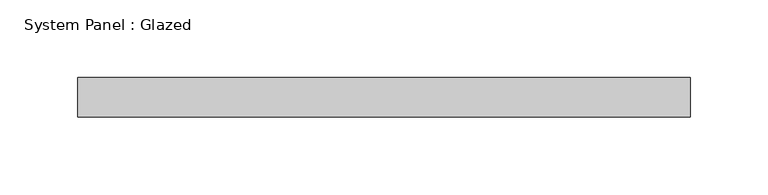
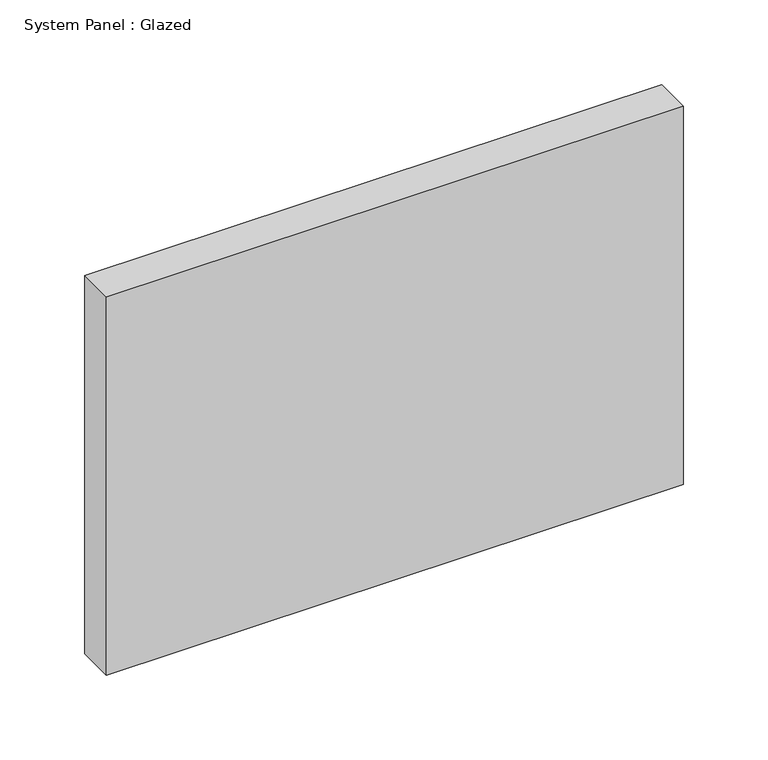
"""IFC4 building model written with IfcOpenShell, lengths in millimetres: plate geometry, System Panel : Glazed."""

from ifc_helpers import new_model, si_unit, origin, origin_with_axes, place, context, project, spatial, polyline, outline, extrude, source, transform, mapped, element, save


def system_panel_glazed_96e6faa2(model_context):
    return source(origin(), model_context, "Body", "SweptSolid", [
        extrude(outline(polyline([(196.85, 19.05), (-196.85, 19.05), (-196.85, 44.45), (196.85, 44.45), (196.85, 19.05)])), origin_with_axes(), (0.0, 0.0, 1.0), 273.05),
    ])


if __name__ == "__main__":
    model = new_model("IFC4")
    model_context = context("Model", 3, world=origin())
    ifc_project = project(units=[si_unit("LENGTHUNIT", "METRE", prefix="MILLI")], contexts=[model_context])
    site = spatial("IfcSite", under=ifc_project)
    building = spatial("IfcBuilding", under=site)
    placement = place(None, origin())
    system_panel_glazed_shape = system_panel_glazed_96e6faa2(model_context)
    element("IfcPlate", 1, ObjectType="System Panel : Glazed", at=placement, inside=building, context=model_context, shape_type="MappedRepresentation", body=[
        mapped(system_panel_glazed_shape, transform((0.0, 0.0, 0.0), x_axis=(1.0, 0.0, 0.0), y_axis=(0.0, 1.0, 0.0), z_axis=(0.0, 0.0, 1.0))),
    ])
    save(model, "model.ifc")
